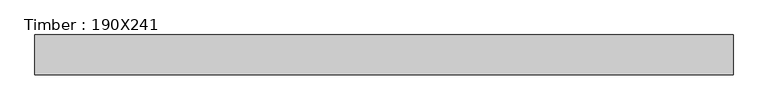
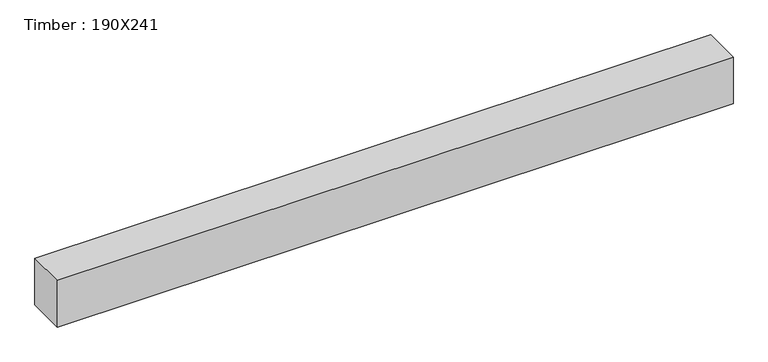
"""IFC4 building model written with IfcOpenShell, lengths in millimetres: beam geometry, Timber : 190X241."""

from ifc_helpers import new_model, si_unit, frame, origin, place, context, project, spatial, polyline, outline, extrude, source, transform, mapped, element, save


def timber_190x241_f76c1845(model_context):
    return source(origin(), model_context, "Body", "SweptSolid", [
        extrude(outline(polyline([(1550.5, -95.0), (-1758.5, -95.0), (-1758.5, 95.0), (1550.5, 95.0), (1550.5, -95.0)])), frame((0.0, 0.0, -120.5), z_axis=(0.0, 0.0, 1.0), x_axis=(1.0, 0.0, 0.0)), (0.0, 0.0, 1.0), 241.0),
    ])


if __name__ == "__main__":
    model = new_model("IFC4")
    model_context = context("Model", 3, world=origin())
    ifc_project = project(units=[si_unit("LENGTHUNIT", "METRE", prefix="MILLI")], contexts=[model_context])
    site = spatial("IfcSite", under=ifc_project)
    building = spatial("IfcBuilding", under=site)
    placement = place(None, origin())
    timber_190x241_shape = timber_190x241_f76c1845(model_context)
    element("IfcBeam", 1, ObjectType="Timber : 190X241", at=placement, inside=building, context=model_context, shape_type="MappedRepresentation", body=[
        mapped(timber_190x241_shape, transform((0.0, 0.0, 0.0), x_axis=(1.0, 0.0, 0.0), y_axis=(0.0, 1.0, 0.0), z_axis=(0.0, 0.0, 1.0))),
    ])
    save(model, "model.ifc")
